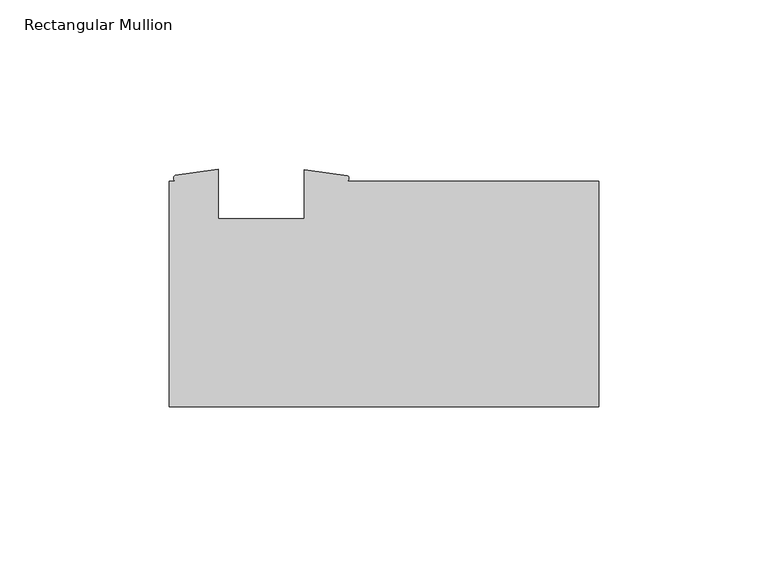
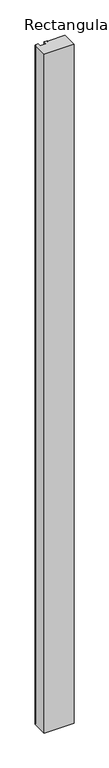
"""IFC4 building model written with IfcOpenShell, lengths in millimetres: member geometry, Rectangular Mullion."""

from ifc_helpers import new_model, si_unit, point, frame, frame_2d, origin, place, context, project, spatial, polyline, circle_curve, trimmed, segment, composite_curve, outline, extrude, source, transform, mapped, element, save


def rectangular_mullion_45bc541f(model_context):
    return source(origin(), model_context, "Body", "SweptSolid", [
        extrude(outline(composite_curve([segment(polyline([(-127.0, -33.3375), (-127.0, 33.3375), (-125.2695278, 33.3375)]), True, "CONTINUOUS"), segment(trimmed(circle_curve(frame_2d((-124.6675408, 34.1692022)), 1.026702), [point((-125.2695278, 33.3375))], [point((-125.2695278, 35.0009044))], False, "CARTESIAN"), True, "CONTINUOUS"), segment(polyline([(-125.2695278, 35.0009044), (-112.496475, 36.8570217), (-112.496475, 22.225), (-87.096475, 22.225), (-87.096475, 36.7335), (-74.3251874, 34.9233963)]), True, "CONTINUOUS"), segment(trimmed(circle_curve(frame_2d((-74.7660208, 34.1304481)), 0.907249), [point((-74.3251874, 34.9233963))], [point((-74.3251874, 33.3375))], False, "CARTESIAN"), True, "CONTINUOUS"), segment(polyline([(-74.3251874, 33.3375), (0.0, 33.3375), (0.0, -33.3375), (-127.0, -33.3375)]), True, "CONTINUOUS")], self_intersect=False)), frame((0.0, 0.0, -3048.0), z_axis=(0.0, 0.0, 1.0), x_axis=(1.0, 0.0, 0.0)), (0.0, 0.0, 1.0), 3048.0),
    ])


if __name__ == "__main__":
    model = new_model("IFC4")
    model_context = context("Model", 3, world=origin())
    ifc_project = project(units=[si_unit("LENGTHUNIT", "METRE", prefix="MILLI")], contexts=[model_context])
    site = spatial("IfcSite", under=ifc_project)
    building = spatial("IfcBuilding", under=site)
    placement = place(None, origin())
    rectangular_mullion_shape = rectangular_mullion_45bc541f(model_context)
    element("IfcMember", 1, ObjectType="Rectangular Mullion", at=placement, inside=building, context=model_context, shape_type="MappedRepresentation", body=[
        mapped(rectangular_mullion_shape, transform((0.0, 0.0, 0.0), x_axis=(1.0, 0.0, 0.0), y_axis=(0.0, 1.0, 0.0), z_axis=(0.0, 0.0, 1.0))),
    ])
    save(model, "model.ifc")
